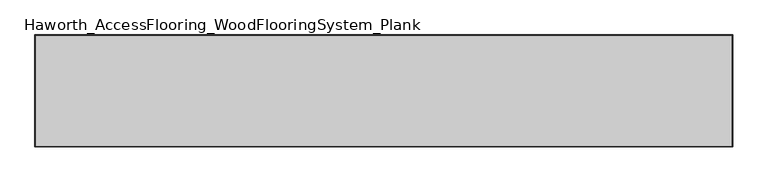
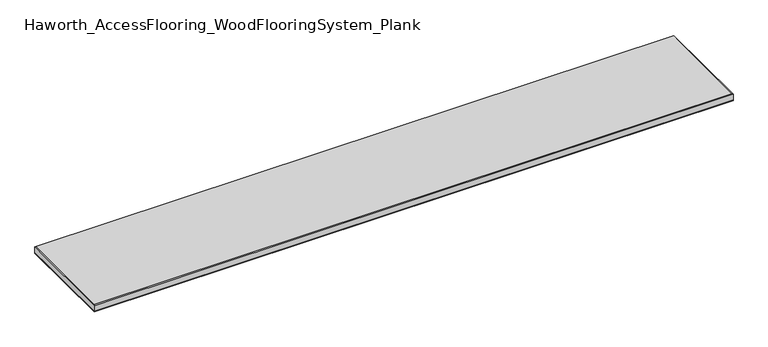
"""IFC4 building model written with IfcOpenShell, lengths in millimetres: proxy geometry, Haworth_AccessFlooring_WoodFlooringSystem_Plank."""

from ifc_helpers import new_model, si_unit, frame, origin, place, context, project, spatial, polyline, outline, extrude, faceted_brep, source, transform, mapped, element, save


def haworth_accessflooring_woodflooringsystem_plank_06670ae1(model_context):
    return source(origin(), model_context, "Body", "SolidModel", [
        extrude(outline(polyline([(685.8, 109.9839844), (685.8, -109.9839844), (-685.8, -109.9839844), (-685.8, 109.9839844), (685.8, 109.9839844)])), frame((0.0, 0.0, -15.875), z_axis=(0.0, 0.0, 1.0), x_axis=(1.0, 0.0, 0.0)), (0.0, 0.0, 1.0), 0.9921875),
        faceted_brep([(685.8, 109.9839844, -14.8828125), (685.8, -109.9839844, -14.8828125), (-685.8, -109.9839844, -14.8828125), (-685.8, 109.9839844, -14.8828125), (-685.8, 109.9839844, -1.5875), (685.8, 109.9839844, -1.5875), (-685.8, -109.9839844, -1.5875), (685.8, -109.9839844, -1.5875), (684.2125, 108.3964844, 0.0), (-684.2125, 108.3964844, 0.0), (-684.2125, -108.3964844, 0.0), (684.2125, -108.3964844, 0.0)], [[[0, 1, 2, 3]], [[0, 3, 4, 5]], [[3, 2, 6, 4]], [[2, 1, 7, 6]], [[1, 0, 5, 7]], [[8, 9, 10, 11]], [[9, 8, 5, 4]], [[10, 9, 4, 6]], [[11, 10, 6, 7]], [[8, 11, 7, 5]]]),
    ])


if __name__ == "__main__":
    model = new_model("IFC4")
    model_context = context("Model", 3, world=origin())
    ifc_project = project(units=[si_unit("LENGTHUNIT", "METRE", prefix="MILLI")], contexts=[model_context])
    site = spatial("IfcSite", under=ifc_project)
    building = spatial("IfcBuilding", under=site)
    placement = place(None, origin())
    haworth_accessflooring_woodflooringsystem_plank_shape = haworth_accessflooring_woodflooringsystem_plank_06670ae1(model_context)
    element("IfcBuildingElementProxy", 1, Name="Haworth_AccessFlooring_WoodFlooringSystem_Plank", ObjectType="Haworth_AccessFlooring_WoodFlooringSystem_Plank", at=placement, inside=building, context=model_context, shape_type="MappedRepresentation", body=[
        mapped(haworth_accessflooring_woodflooringsystem_plank_shape, transform((0.0, 0.0, 0.0), x_axis=(1.0, 0.0, 0.0), y_axis=(0.0, 1.0, 0.0), z_axis=(0.0, 0.0, 1.0))),
    ])
    save(model, "model.ifc")
